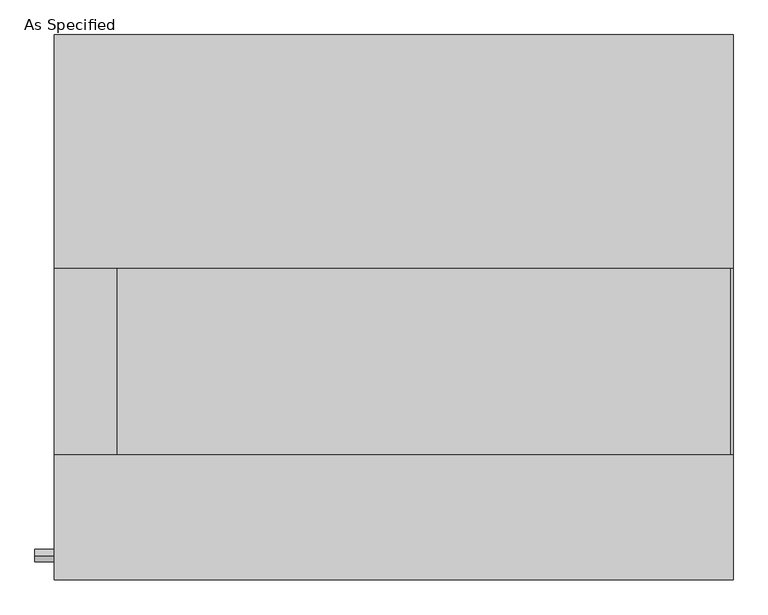
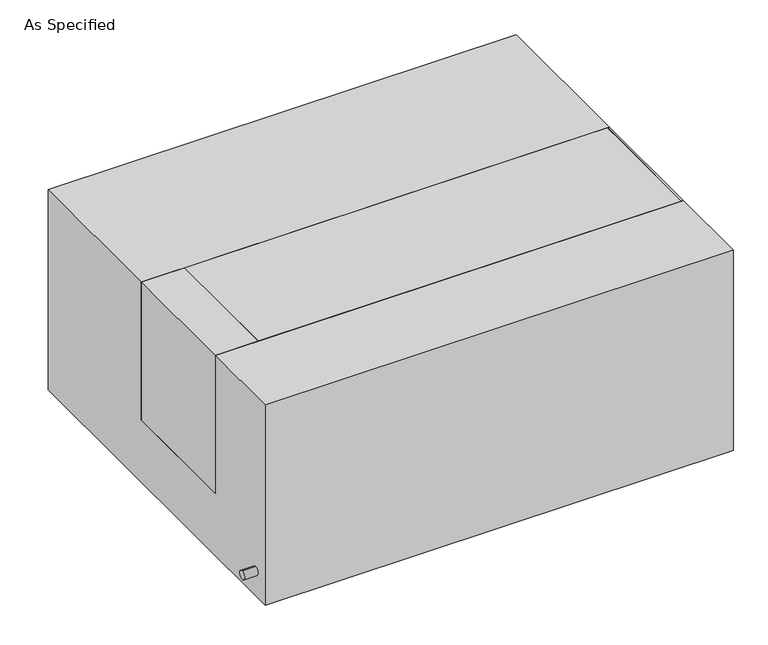
"""IFC4 building model written with IfcOpenShell, lengths in millimetres: proxy geometry, As Specified."""

from ifc_helpers import new_model, si_unit, point, frame, frame_2d, origin, place, context, project, spatial, polyline, circle_curve, trimmed, segment, composite_curve, outline, extrude, source, transform, mapped, element, save


def as_specified_4d281634(model_context):
    return source(origin(), model_context, "Body", "SweptSolid", [
        extrude(outline(composite_curve([segment(trimmed(circle_curve(frame_2d((-407.9875, -466.725)), 10.5), [point((-407.9875, -456.225))], [point((-407.9875, -477.225))], False, "CARTESIAN"), True, "CONTINUOUS"), segment(trimmed(circle_curve(frame_2d((-407.9875, -466.725)), 10.5), [point((-407.9875, -477.225))], [point((-407.9875, -456.225))], False, "CARTESIAN"), True, "CONTINUOUS")], self_intersect=False)), frame((-589.0528384, 0.0, 0.0), z_axis=(1.0, 0.0, 0.0), x_axis=(0.0, 1.0, 0.0)), (0.0, 0.0, 1.0), 31.8403384),
        extrude(outline(polyline([(-454.81875, 63.5), (-454.81875, -241.3), (-557.2125, -241.3), (-557.2125, 63.5), (-454.81875, 63.5)])), frame((0.0, 0.0, -373.0625), z_axis=(0.0, 0.0, 1.0), x_axis=(1.0, 0.0, 0.0)), (0.0, 0.0, 1.0), 347.6625),
        extrude(outline(polyline([(553.24375, 63.5), (557.2125, 63.5), (557.2125, -241.3), (553.24375, -241.3), (553.24375, 63.5)])), frame((0.0, 0.0, -39.6875), z_axis=(0.0, 0.0, 1.0), x_axis=(1.0, 0.0, 0.0)), (0.0, 0.0, 1.0), 14.2875),
        extrude(outline(polyline([(557.2125, 63.5), (557.2125, -241.3), (-454.81875, -241.3), (-454.81875, 63.5), (557.2125, 63.5)])), frame((0.0, 0.0, -373.0625), z_axis=(0.0, 0.0, 1.0), x_axis=(1.0, 0.0, 0.0)), (0.0, 0.0, 1.0), 347.6625),
        extrude(outline(polyline([(447.675, -25.4), (447.675, -530.225), (-447.675, -530.225), (-447.675, -25.4), (-241.3, -25.4), (-241.3, -373.0625), (63.5, -373.0625), (63.5, -25.4), (447.675, -25.4)])), frame((-557.2125, 0.0, 0.0), z_axis=(1.0, 0.0, 0.0), x_axis=(0.0, 1.0, 0.0)), (0.0, 0.0, 1.0), 1114.425),
    ])


if __name__ == "__main__":
    model = new_model("IFC4")
    model_context = context("Model", 3, world=origin())
    ifc_project = project(units=[si_unit("LENGTHUNIT", "METRE", prefix="MILLI")], contexts=[model_context])
    site = spatial("IfcSite", under=ifc_project)
    building = spatial("IfcBuilding", under=site)
    placement = place(None, origin())
    as_specified_shape = as_specified_4d281634(model_context)
    element("IfcBuildingElementProxy", 1, Name="As Specified", ObjectType="As Specified", at=placement, inside=building, context=model_context, shape_type="MappedRepresentation", body=[
        mapped(as_specified_shape, transform((0.0, 0.0, 0.0), x_axis=(1.0, 0.0, 0.0), y_axis=(0.0, 1.0, 0.0), z_axis=(0.0, 0.0, 1.0))),
    ])
    save(model, "model.ifc")
